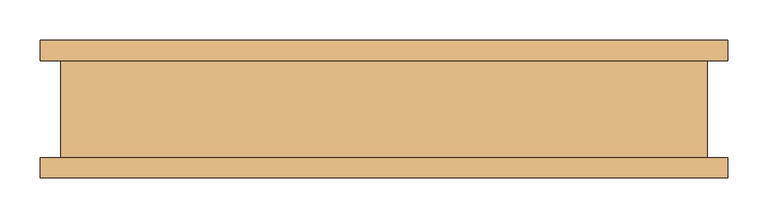
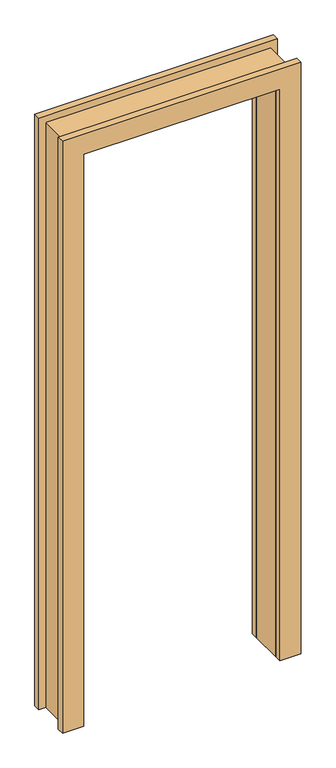
"""IFC4 building model written with IfcOpenShell, lengths in millimetres: door geometry."""

from ifc_helpers import new_model, si_unit, frame, origin, place, context, project, spatial, polyline, outline, extrude, source, transform, mapped, element, save


def door_b9fe1a57(model_context):
    return source(origin(), model_context, "Body", "SweptSolid", [
        extrude(outline(polyline([(2225.0, -425.0), (0.0, -425.0), (0.0, -350.0), (2150.0, -350.0), (2150.0, 350.0), (0.0, 350.0), (0.0, 425.0), (2225.0, 425.0), (2225.0, -425.0)])), frame((0.0, 60.0, 0.0), z_axis=(0.0, 1.0, 0.0), x_axis=(0.0, 0.0, 1.0)), (0.0, 0.0, 1.0), 25.0),
        extrude(outline(polyline([(2225.0, -425.0), (0.0, -425.0), (0.0, -350.0), (2150.0, -350.0), (2150.0, 350.0), (0.0, 350.0), (0.0, 425.0), (2225.0, 425.0), (2225.0, -425.0)])), frame((0.0, -85.0, 0.0), z_axis=(0.0, 1.0, 0.0), x_axis=(0.0, 0.0, 1.0)), (0.0, 0.0, 1.0), 25.0),
        extrude(outline(polyline([(2200.0, -400.0), (0.0, -400.0), (0.0, -350.0), (2150.0, -350.0), (2150.0, 350.0), (0.0, 350.0), (0.0, 400.0), (2200.0, 400.0), (2200.0, -400.0)])), frame((0.0, -60.0, 0.0), z_axis=(0.0, 1.0, 0.0), x_axis=(0.0, 0.0, 1.0)), (0.0, 0.0, 1.0), 120.0),
    ])


if __name__ == "__main__":
    model = new_model("IFC4")
    model_context = context("Model", 3, world=origin())
    ifc_project = project(units=[si_unit("LENGTHUNIT", "METRE", prefix="MILLI")], contexts=[model_context])
    site = spatial("IfcSite", under=ifc_project)
    building = spatial("IfcBuilding", under=site)
    placement = place(None, origin())
    door_shape = door_b9fe1a57(model_context)
    element("IfcDoor", 1, at=placement, inside=building, context=model_context, shape_type="MappedRepresentation", body=[
        mapped(door_shape, transform((0.0, 0.0, 0.0), x_axis=(1.0, 0.0, 0.0), y_axis=(0.0, 1.0, 0.0), z_axis=(0.0, 0.0, 1.0))),
    ])
    save(model, "model.ifc")
